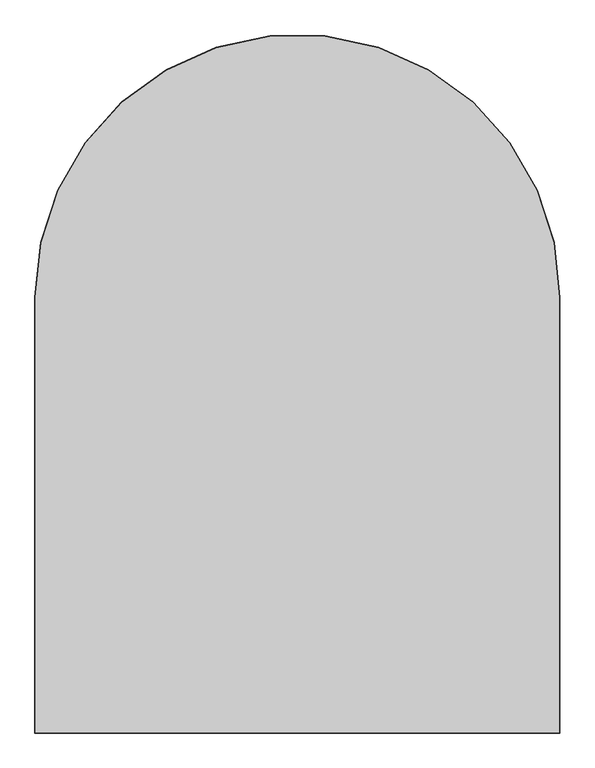
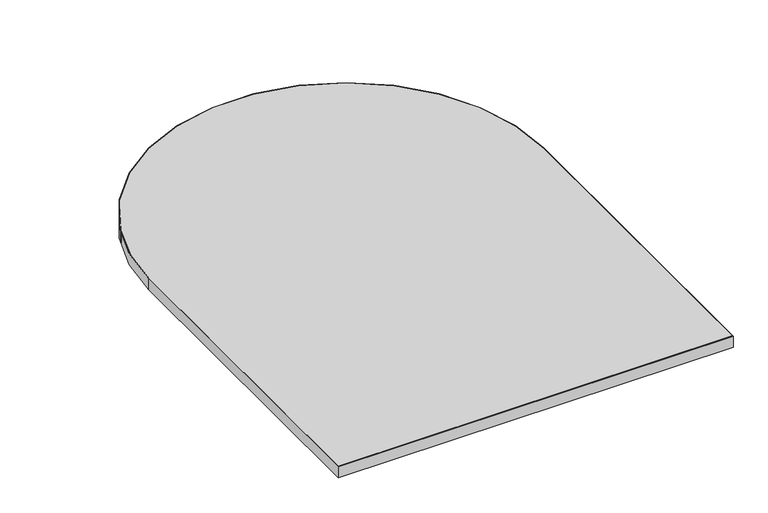
"""IFC4 building model written with IfcOpenShell, lengths in millimetres: furniture geometry."""

from ifc_helpers import new_model, si_unit, point, frame, frame_2d, origin, place, context, project, spatial, polyline, circle_curve, trimmed, segment, composite_curve, outline, extrude, source, transform, mapped, element, save


def furniture_5bec36d7(model_context):
    return source(origin(), model_context, "Body", "SweptSolid", [
        extrude(outline(composite_curve([segment(trimmed(circle_curve(frame_2d((457.2, 762.0)), 456.184), [point((1.016, 762.0))], [point((913.384, 762.0))], False, "CARTESIAN"), True, "CONTINUOUS"), segment(polyline([(913.384, 762.0), (913.384, 4.1910001), (1.016, 4.1910001), (1.016, 762.0)]), True, "CONTINUOUS")], self_intersect=False)), frame((0.0, 0.0, 697.2297529), z_axis=(0.0, 0.0, 1.0), x_axis=(1.0, 0.0, 0.0)), (0.0, 0.0, 1.0), 26.924),
        extrude(outline(composite_curve([segment(trimmed(circle_curve(frame_2d((457.2, 762.0)), 457.2), [point((0.0, 762.0))], [point((914.4, 762.0))], False, "CARTESIAN"), True, "CONTINUOUS"), segment(polyline([(914.4, 762.0), (914.4, 3.1750001), (0.0, 3.1750001), (0.0, 762.0)]), True, "CONTINUOUS")], self_intersect=False), holes=[composite_curve([segment(polyline([(1.016, 4.1910001), (913.384, 4.1910001), (913.384, 762.0)]), True, "CONTINUOUS"), segment(trimmed(circle_curve(frame_2d((457.2, 762.0)), 456.184), [point((913.384, 762.0))], [point((1.016, 762.0))], True, "CARTESIAN"), True, "CONTINUOUS"), segment(polyline([(1.016, 762.0), (1.016, 4.1910001)]), True, "CONTINUOUS")], self_intersect=False)]), frame((0.0, 0.0, 697.2297529), z_axis=(0.0, 0.0, 1.0), x_axis=(1.0, 0.0, 0.0)), (0.0, 0.0, 1.0), 26.924),
    ])


if __name__ == "__main__":
    model = new_model("IFC4")
    model_context = context("Model", 3, world=origin())
    ifc_project = project(units=[si_unit("LENGTHUNIT", "METRE", prefix="MILLI")], contexts=[model_context])
    site = spatial("IfcSite", under=ifc_project)
    building = spatial("IfcBuilding", under=site)
    placement = place(None, origin())
    furniture_shape = furniture_5bec36d7(model_context)
    element("IfcFurniture", 1, at=placement, inside=building, context=model_context, shape_type="MappedRepresentation", body=[
        mapped(furniture_shape, transform((0.0, 0.0, 0.0), x_axis=(1.0, 0.0, 0.0), y_axis=(0.0, 1.0, 0.0), z_axis=(0.0, 0.0, 1.0))),
    ])
    save(model, "model.ifc")
